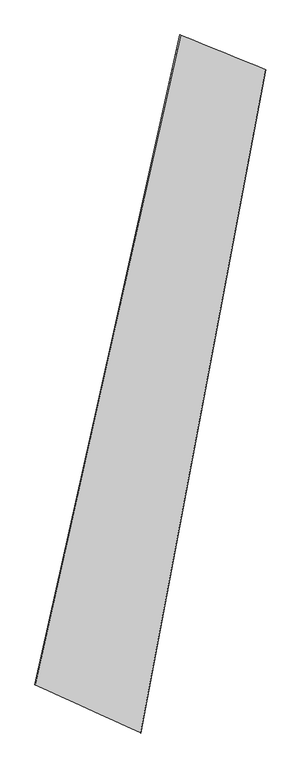
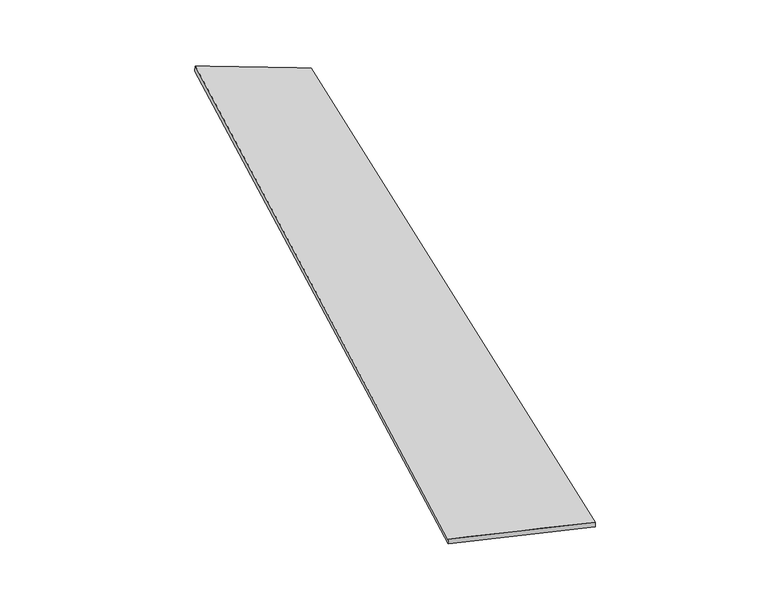
"""IFC4 building model written with IfcOpenShell, lengths in millimetres: proxy geometry."""

import ifcopenshell
import ifcopenshell.guid

model = None  # the IFC model being written
_history = None  # IfcOwnerHistory: only IFC2X3 demands one
_inside = {}  # id of a spatial element -> (the spatial element, [elements in it])
_under = {}  # id of a project, library or spatial element -> (it, [spatial elements below it])
_declared = {}  # id of a project -> (the project, [libraries it declares])
_typed = {}  # id of a type object -> (the type object, [elements of that type])
_made_of = {}  # id of a material, layer set ... -> (it, [elements and type objects made of it])


def new_model(schema):
    """Start an empty IFC model of exactly this schema.

    Asked for "IFC4X3", IfcOpenShell would pick the latest addendum, in which some entities
    have other attributes; the version numbers below select the first issue.
    IFC2X3 requires an IfcOwnerHistory on every rooted entity: one is made here for all.
    """
    global model, _history
    if schema == "IFC4X3":
        model = ifcopenshell.file(schema_version=(4, 3, 0, 0))
    else:
        model = ifcopenshell.file(schema=schema)
    _inside.clear()
    _under.clear()
    _declared.clear()
    _typed.clear()
    _made_of.clear()
    _history = None
    if model.schema == "IFC2X3":
        org = make("IfcOrganization", Name="unknown")
        user = make(
            "IfcPersonAndOrganization",
            ThePerson=make("IfcPerson", FamilyName="unknown"),
            TheOrganization=org,
        )
        app = make(
            "IfcApplication",
            ApplicationDeveloper=org,
            Version="unknown",
            ApplicationFullName="unknown",
            ApplicationIdentifier="unknown",
        )
        _history = make(
            "IfcOwnerHistory",
            OwningUser=user,
            OwningApplication=app,
            ChangeAction="ADDED",
            CreationDate=0,
        )
    return model


def make(cls, **values):
    """One entity of the class cls with the attributes given. An attribute that is None is left unset."""
    return model.create_entity(
        cls, **{name: value for name, value in values.items() if value is not None}
    )


def rooted(cls, **values):
    """An entity with a GlobalId (a new one), such as an element, a storey or a relation."""
    return make(cls, GlobalId=ifcopenshell.guid.new(), OwnerHistory=_history, **values)


def si_unit(unit_type, name, prefix=None):
    """IfcSIUnit, for example si_unit("LENGTHUNIT", "METRE", prefix="MILLI")."""
    return make("IfcSIUnit", UnitType=unit_type, Prefix=prefix, Name=name)


def assignment(units):
    """IfcUnitAssignment: the units of a project."""
    return None if units is None else make("IfcUnitAssignment", Units=units)


def point(xyz):
    """IfcCartesianPoint."""
    return None if xyz is None else make("IfcCartesianPoint", Coordinates=xyz)


def direction(xyz):
    """IfcDirection."""
    return None if xyz is None else make("IfcDirection", DirectionRatios=xyz)


def frame(location, z_axis=None, x_axis=None):
    """IfcAxis2Placement3D, a coordinate frame: its origin and axes. An axis left out is left unset."""
    return make(
        "IfcAxis2Placement3D",
        Location=point(location),
        Axis=direction(z_axis),
        RefDirection=direction(x_axis),
    )


def origin():
    """The frame at (0, 0, 0) with its axes left unset."""
    return frame((0.0, 0.0, 0.0))


def place(relative_to, where):
    """IfcLocalPlacement: puts the frame where relative to a parent placement (None: the world)."""
    return make(
        "IfcLocalPlacement", PlacementRelTo=relative_to, RelativePlacement=where
    )


def context(
    kind, dimensions, precision=None, world=None, true_north=None, identifier=None
):
    """IfcGeometricRepresentationContext, for example the 3D "Model" context."""
    return make(
        "IfcGeometricRepresentationContext",
        ContextIdentifier=identifier,
        ContextType=kind,
        CoordinateSpaceDimension=dimensions,
        Precision=precision,
        WorldCoordinateSystem=world,
        TrueNorth=true_north,
    )


def project(units=None, contexts=None):
    """IfcProject with its units and contexts."""
    return rooted(
        "IfcProject",
        Name="project",
        RepresentationContexts=contexts,
        UnitsInContext=assignment(units),
    )


def spatial(cls, under=None, at=None, **own):
    """A site, building, storey or space (cls), placed at a placement, below another one or the project."""
    s = rooted(cls, ObjectPlacement=at, **own)
    if under is not None:
        _under.setdefault(under.id(), (under, []))[1].append(s)
    return s


def shape(context_of_items, identifier, shape_type, items):
    """IfcShapeRepresentation: the items that make up one representation, for example the "Body"."""
    return make(
        "IfcShapeRepresentation",
        ContextOfItems=context_of_items,
        RepresentationIdentifier=identifier,
        RepresentationType=shape_type,
        Items=items,
    )


def source(mapping_origin, context_of_items, identifier, shape_type, items):
    """IfcRepresentationMap: a shape defined once, which mapped items show again and again."""
    return make(
        "IfcRepresentationMap",
        MappingOrigin=mapping_origin,
        MappedRepresentation=shape(context_of_items, identifier, shape_type, items),
    )


def transform(
    local_origin,
    x_axis=None,
    y_axis=None,
    z_axis=None,
    scale=None,
    scale2=None,
    scale3=None,
    uniform=True,
):
    """IfcCartesianTransformationOperator3D, or its non-uniform kind. x_axis, y_axis, z_axis: its Axis1, 2, 3."""
    if uniform:
        return make(
            "IfcCartesianTransformationOperator3D",
            Axis1=direction(x_axis),
            Axis2=direction(y_axis),
            LocalOrigin=point(local_origin),
            Scale=scale,
            Axis3=direction(z_axis),
        )
    return make(
        "IfcCartesianTransformationOperator3DnonUniform",
        Axis1=direction(x_axis),
        Axis2=direction(y_axis),
        LocalOrigin=point(local_origin),
        Scale=scale,
        Axis3=direction(z_axis),
        Scale2=scale2,
        Scale3=scale3,
    )


def mapped(mapping_source, mapping_target):
    """IfcMappedItem: shows the shape of a source again, moved by a transform."""
    return make(
        "IfcMappedItem", MappingSource=mapping_source, MappingTarget=mapping_target
    )


def made_of(thing, what):
    """Note that an element or type object is made of a material, layer set ...; save() writes the relation."""
    if what is not None:
        _made_of.setdefault(what.id(), (what, []))[1].append(thing)
    return thing


def element(
    cls,
    number,
    at=None,
    inside=None,
    cuts=None,
    type_object=None,
    material=None,
    context=None,
    identifier="Body",
    shape_type=None,
    held_by="IfcProductDefinitionShape",
    body=None,
    shapes=None,
    **own,
):
    """One element of the class cls, such as IfcWall. Its Tag is "e" and its number.

    at: its placement. inside: the storey or other place that contains it. cuts: it is an
    opening in that element (IfcRelVoidsElement). A single representation is given by context,
    identifier, shape_type and body (its items); several are given by shapes. held_by: the class
    of the entity that holds the representations. save() writes the other relations.
    """
    e = rooted(cls, Tag="e%d" % number, ObjectPlacement=at, **own)
    if body is not None:
        shapes = [shape(context, identifier, shape_type, body)]
    if shapes is not None:
        e.Representation = make(held_by, Representations=shapes)
    if inside is not None:
        _inside.setdefault(inside.id(), (inside, []))[1].append(e)
    if cuts is not None:
        rooted(
            "IfcRelVoidsElement", RelatingBuildingElement=cuts, RelatedOpeningElement=e
        )
    if type_object is not None:
        _typed.setdefault(type_object.id(), (type_object, []))[1].append(e)
    return made_of(e, material)


def aggregate(whole, parts):
    """IfcRelAggregates: a whole, such as a stair, and the parts it consists of."""
    return rooted("IfcRelAggregates", RelatingObject=whole, RelatedObjects=parts)


def save(model, path):
    """Write the relations noted so far, then the file.

    IfcRelAggregates (storeys below a building ...), IfcRelContainedInSpatialStructure (elements
    in a storey), IfcRelDefinesByType, IfcRelAssociatesMaterial and IfcRelDeclares: one each for
    every whole, place, type object, material and project.
    """
    for whole, parts in _under.values():
        aggregate(whole, parts)
    for where, things in _inside.values():
        rooted(
            "IfcRelContainedInSpatialStructure",
            RelatedElements=things,
            RelatingStructure=where,
        )
    for kind, things in _typed.values():
        rooted("IfcRelDefinesByType", RelatedObjects=things, RelatingType=kind)
    for what, things in _made_of.values():
        rooted("IfcRelAssociatesMaterial", RelatedObjects=things, RelatingMaterial=what)
    for by, libraries in _declared.values():
        rooted("IfcRelDeclares", RelatingContext=by, RelatedDefinitions=libraries)
    model.write(path)


def spline_surface(u_degree, v_degree, points, u_multiplicities, v_multiplicities, u_knots, v_knots, weights=None):
    """IfcBSplineSurfaceWithKnots; with weights, IfcRationalBSplineSurfaceWithKnots. points: one row for each step in u."""
    own = dict(
        UDegree=u_degree,
        VDegree=v_degree,
        ControlPointsList=[[point(p) for p in row] for row in points],
        SurfaceForm="UNSPECIFIED",
        UClosed=False,
        VClosed=False,
        SelfIntersect=False,
        UMultiplicities=u_multiplicities,
        VMultiplicities=v_multiplicities,
        UKnots=u_knots,
        VKnots=v_knots,
        KnotSpec="UNSPECIFIED",
    )
    if weights is None:
        return make("IfcBSplineSurfaceWithKnots", **own)
    return make("IfcRationalBSplineSurfaceWithKnots", WeightsData=weights, **own)


def advanced_brep(points, edges, surfaces, faces):
    """IfcAdvancedBrep: a solid bounded by faces that lie on surfaces and meet in shared edges.

    An edge is (start, end): straight between two places in points (the first is 0);
    or (start, end, curve); or (start, end, curve, False) where it runs against its curve.
    A face is (place in surfaces, loops), or (place, loops, False) where it looks against
    its surface's normal. A loop lists edges by number (the first is 1), with a minus sign
    where the edge is run from its end to its start. The first loop is the outer one.
    """
    corners = [point(p) for p in points]
    vertices = [make("IfcVertexPoint", VertexGeometry=c) for c in corners]
    made = []
    for start, end, *more in edges:
        made.append(
            make(
                "IfcEdgeCurve",
                EdgeStart=vertices[start],
                EdgeEnd=vertices[end],
                EdgeGeometry=more[0] if more else make("IfcPolyline", Points=[corners[start], corners[end]]),
                SameSense=more[1] if len(more) > 1 else True,
            )
        )
    hull = []
    for where, loops, *sense in faces:
        bounds = []
        for j, loop in enumerate(loops):
            ring = [make("IfcOrientedEdge", EdgeElement=made[abs(k) - 1], Orientation=k > 0) for k in loop]
            bounds.append(
                make(
                    "IfcFaceOuterBound" if j == 0 else "IfcFaceBound",
                    Bound=make("IfcEdgeLoop", EdgeList=ring),
                    Orientation=True,
                )
            )
        hull.append(make("IfcAdvancedFace", Bounds=bounds, FaceSurface=surfaces[where], SameSense=sense[0] if sense else True))
    return make("IfcAdvancedBrep", Outer=make("IfcClosedShell", CfsFaces=hull))


def generic_models_b0e211cc(model_context):
    return source(origin(), model_context, "Body", "AdvancedBrep", [
        advanced_brep(
        [(-677.0130131, -1715.0996332, -27.1834157), (-679.9285338, -1714.8985116, 2.6738998), (232.4485673, 2354.3226494, 63.4857228), (228.3307398, 2355.6831642, 33.8008361), (-17.6295925, -2017.6119701, 56.9229071), (767.5261005, 2137.6720333, -3.7184696), (-16.0695965, -2018.3414876, 26.9723776), (764.7518698, 2137.7579567, -33.589798)],
        [
            (0, 1),
            (1, 2),
            (2, 3),
            (3, 0),
            (1, 4),
            (4, 5),
            (5, 2),
            (4, 6),
            (6, 7),
            (7, 5),
            (6, 0),
            (3, 7),
        ],
        [
            spline_surface(1, 1, [[(-677.0130131, -1715.0996332, -27.1834157), (228.3307398, 2355.6831642, 33.8008361)], [(-679.9285338, -1714.8985116, 2.6738998), (232.4485673, 2354.3226494, 63.4857228)]], [2, 2], [2, 2], [0.0, 1.0], [0.0, 1.0]),
            spline_surface(1, 1, [[(-679.9285338, -1714.8985116, 2.6738998), (232.4485673, 2354.3226494, 63.4857228)], [(-17.6295925, -2017.6119701, 56.9229071), (767.5261005, 2137.6720333, -3.7184696)]], [2, 2], [2, 2], [0.0, 1.0], [0.0, 1.0]),
            spline_surface(1, 1, [[(-17.6295925, -2017.6119701, 56.9229071), (767.5261005, 2137.6720333, -3.7184696)], [(-16.0695965, -2018.3414876, 26.9723776), (764.7518698, 2137.7579567, -33.589798)]], [2, 2], [2, 2], [0.0, 1.0], [0.0, 1.0]),
            spline_surface(1, 1, [[(-16.0695965, -2018.3414876, 26.9723776), (764.7518698, 2137.7579567, -33.589798)], [(-677.0130131, -1715.0996332, -27.1834157), (228.3307398, 2355.6831642, 33.8008361)]], [2, 2], [2, 2], [0.0, 1.0], [0.0, 1.0]),
            spline_surface(1, 1, [[(232.4485673, 2354.3226494, 63.4857228), (228.3307398, 2355.6831642, 33.8008361)], [(767.5261005, 2137.6720333, -3.7184696), (764.7518698, 2137.7579567, -33.589798)]], [2, 2], [2, 2], [0.0, 1.0], [0.0, 1.0]),
            spline_surface(1, 1, [[(-16.0695965, -2018.3414876, 26.9723776), (-677.0130131, -1715.0996332, -27.1834157)], [(-17.6295925, -2017.6119701, 56.9229071), (-679.9285338, -1714.8985116, 2.6738998)]], [2, 2], [2, 2], [0.0, 1.0], [0.0, 1.0]),
        ],
        [
            (0, [[1, 2, 3, 4]]),
            (1, [[5, 6, 7, -2]]),
            (2, [[8, 9, 10, -6]]),
            (3, [[11, -4, 12, -9]]),
            (4, [[-3, -7, -10, -12]]),
            (5, [[-11, -8, -5, -1]]),
        ],
    ),
    ])


if __name__ == "__main__":
    model = new_model("IFC4")
    model_context = context("Model", 3, world=origin())
    ifc_project = project(units=[si_unit("LENGTHUNIT", "METRE", prefix="MILLI")], contexts=[model_context])
    site = spatial("IfcSite", under=ifc_project)
    building = spatial("IfcBuilding", under=site)
    placement = place(None, origin())
    generic_models_shape = generic_models_b0e211cc(model_context)
    element("IfcBuildingElementProxy", 1, Name="Generic Models", at=placement, inside=building, context=model_context, shape_type="MappedRepresentation", body=[
        mapped(generic_models_shape, transform((0.0, 0.0, 0.0), x_axis=(1.0, 0.0, 0.0), y_axis=(0.0, 1.0, 0.0), z_axis=(0.0, 0.0, 1.0))),
    ])
    save(model, "model.ifc")
